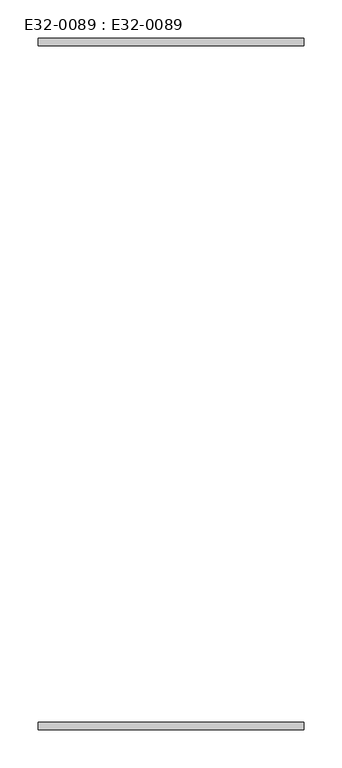
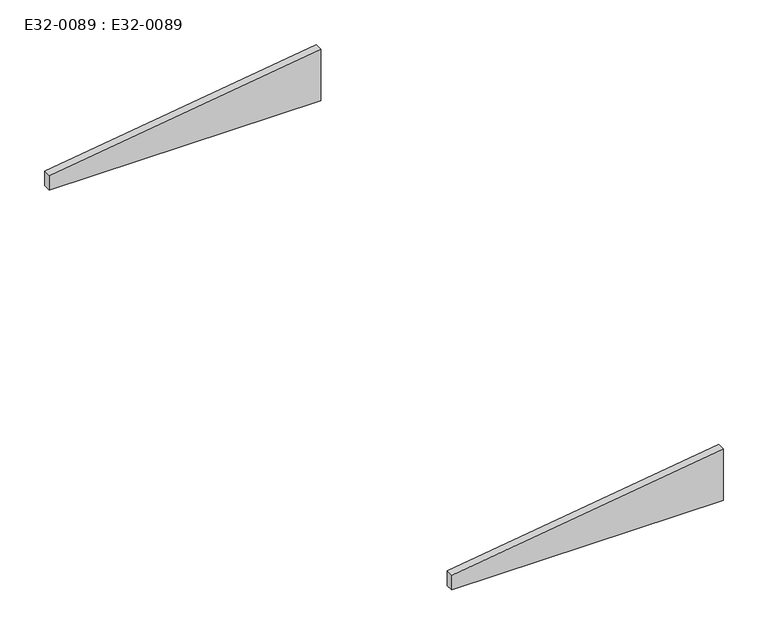
"""IFC4 building model written with IfcOpenShell, lengths in millimetres: furniture geometry, E32-0089 : E32-0089."""

from ifc_helpers import new_model, si_unit, frame, origin, place, context, project, spatial, polyline, outline, extrude, source, transform, mapped, element, save


def e32_0089_e32_0089_3a666178(model_context):
    return source(origin(), model_context, "Body", "SweptSolid", [
        extrude(outline(polyline([(500.0, -175.0), (500.0, 175.0), (570.0, 175.0), (520.0, -175.0), (500.0, -175.0)])), frame((0.0, 445.0, 0.0), z_axis=(0.0, 1.0, 0.0), x_axis=(0.0, 0.0, 1.0)), (0.0, 0.0, 1.0), 10.0),
        extrude(outline(polyline([(500.0, -175.0), (500.0, 175.0), (570.0, 175.0), (520.0, -175.0), (500.0, -175.0)])), frame((0.0, -455.0, 0.0), z_axis=(0.0, 1.0, 0.0), x_axis=(0.0, 0.0, 1.0)), (0.0, 0.0, 1.0), 10.0),
    ])


if __name__ == "__main__":
    model = new_model("IFC4")
    model_context = context("Model", 3, world=origin())
    ifc_project = project(units=[si_unit("LENGTHUNIT", "METRE", prefix="MILLI")], contexts=[model_context])
    site = spatial("IfcSite", under=ifc_project)
    building = spatial("IfcBuilding", under=site)
    placement = place(None, origin())
    e32_0089_e32_0089_shape = e32_0089_e32_0089_3a666178(model_context)
    element("IfcFurniture", 1, ObjectType="E32-0089 : E32-0089", at=placement, inside=building, context=model_context, shape_type="MappedRepresentation", body=[
        mapped(e32_0089_e32_0089_shape, transform((0.0, 0.0, 0.0), x_axis=(1.0, 0.0, 0.0), y_axis=(0.0, 1.0, 0.0), z_axis=(0.0, 0.0, 1.0))),
    ])
    save(model, "model.ifc")
